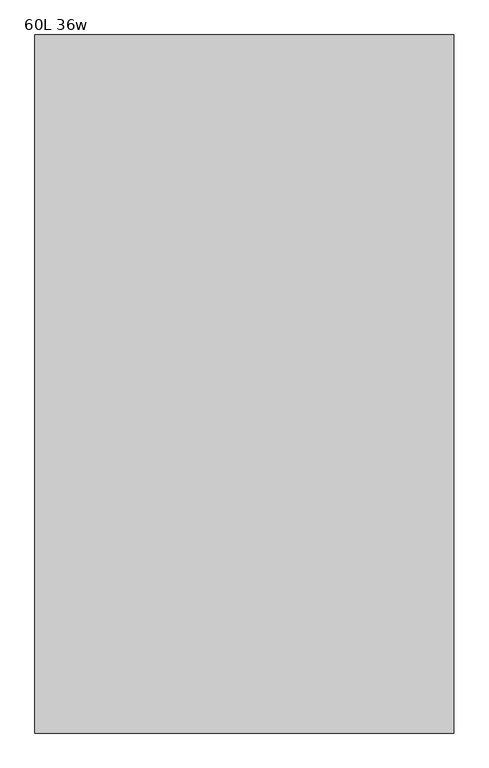
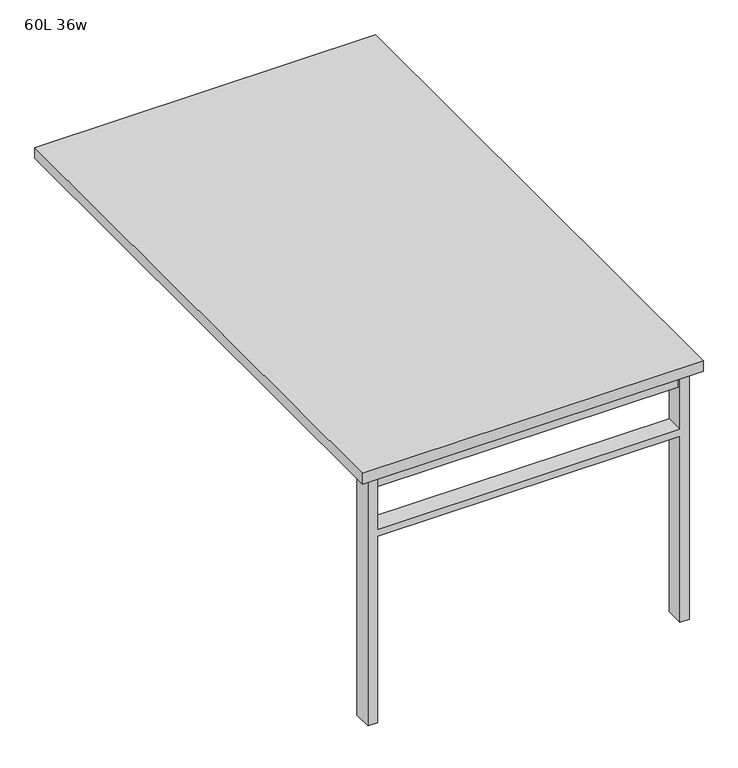
"""IFC4 building model written with IfcOpenShell, lengths in millimetres: furniture geometry, 60L 36w."""

from ifc_helpers import new_model, si_unit, frame, origin, place, context, project, spatial, polyline, outline, extrude, source, transform, mapped, element, save


def furniture_60l_36w_49e5813a(model_context):
    return source(origin(), model_context, "Body", "SweptSolid", [
        extrude(outline(polyline([(-406.4, -701.675), (406.4, -701.675), (406.4, -733.425), (-406.4, -733.425), (-406.4, -701.675)])), frame((0.0, 0.0, 661.9875), z_axis=(0.0, 0.0, 1.0), x_axis=(1.0, 0.0, 0.0)), (0.0, 0.0, 1.0), 44.45),
        extrude(outline(polyline([(528.6375, 406.4), (0.0, 406.4), (0.0, 431.8), (706.4375, 431.8), (706.4375, 406.4), (547.6875, 406.4), (547.6875, -406.4), (706.4375, -406.4), (706.4375, -431.8), (0.0, -431.8), (0.0, -406.4), (528.6375, -406.4), (528.6375, 406.4)])), frame((0.0, -742.95, 0.0), z_axis=(0.0, 1.0, 0.0), x_axis=(0.0, 0.0, 1.0)), (0.0, 0.0, 1.0), 50.8),
        extrude(outline(polyline([(-457.2, -762.0), (-457.2, 762.0), (457.2, 762.0), (457.2, -762.0), (-457.2, -762.0)])), frame((0.0, 0.0, 706.4375), z_axis=(0.0, 0.0, 1.0), x_axis=(1.0, 0.0, 0.0)), (0.0, 0.0, 1.0), 30.1625),
    ])


if __name__ == "__main__":
    model = new_model("IFC4")
    model_context = context("Model", 3, world=origin())
    ifc_project = project(units=[si_unit("LENGTHUNIT", "METRE", prefix="MILLI")], contexts=[model_context])
    site = spatial("IfcSite", under=ifc_project)
    building = spatial("IfcBuilding", under=site)
    placement = place(None, origin())
    furniture_60l_36w_shape = furniture_60l_36w_49e5813a(model_context)
    element("IfcFurniture", 1, ObjectType="60L 36w", at=placement, inside=building, context=model_context, shape_type="MappedRepresentation", body=[
        mapped(furniture_60l_36w_shape, transform((0.0, 0.0, 0.0), x_axis=(1.0, 0.0, 0.0), y_axis=(0.0, 1.0, 0.0), z_axis=(0.0, 0.0, 1.0))),
    ])
    save(model, "model.ifc")
